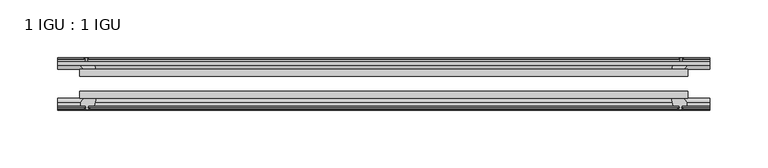
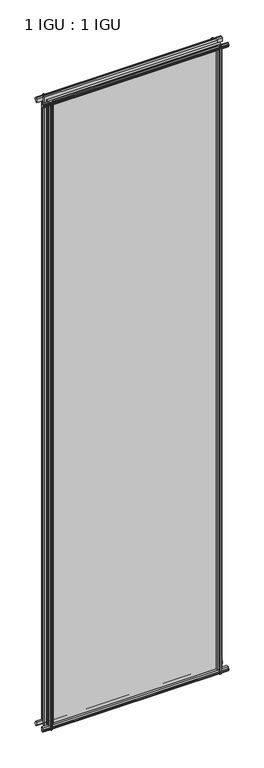
"""IFC4 building model written with IfcOpenShell, lengths in millimetres: plate geometry, 1 IGU : 1 IGU."""

from ifc_helpers import new_model, si_unit, frame, origin, place, context, project, spatial, polyline, outline, extrude, source, transform, mapped, element, save


def plate_1_igu_1_igu_fd220a03(model_context):
    return source(origin(), model_context, "Body", "SweptSolid", [
        extrude(outline(polyline([(-263.523772, -38.6468937), (263.523772, -38.6468937), (263.523772, -44.9460938), (-263.523772, -44.9460938), (-263.523772, -38.6468937)])), frame((0.0, 0.0, -12.7), z_axis=(0.0, 0.0, 1.0), x_axis=(1.0, 0.0, 0.0)), (0.0, 0.0, 1.0), 2019.2872996),
        extrude(outline(polyline([(-263.523772, -19.5460937), (263.523772, -19.5460937), (263.523772, -25.8960938), (-263.523772, -25.8960938), (-263.523772, -19.5460937)])), frame((0.0, 0.0, -12.7), z_axis=(0.0, 0.0, 1.0), x_axis=(1.0, 0.0, 0.0)), (0.0, 0.0, 1.0), 2019.2872996),
        extrude(outline(polyline([(-44.9460937, 1.7177181), (-44.9460937, -9.1036578), (-48.3496937, -11.938), (-51.2960937, -11.938), (-51.2960937, -7.493), (-53.6762907, -7.112), (-53.2163575, -8.5275291), (-54.0175717, -8.5275291), (-54.7250937, -6.35), (-54.0175717, -4.1724709), (-53.2163575, -4.1724709), (-53.6762907, -5.588), (-51.2960937, -5.207), (-51.2960937, 0.0), (-44.9460937, 1.7177181)])), frame((-282.573772, 0.0, 0.0), z_axis=(1.0, 0.0, 0.0), x_axis=(0.0, 1.0, 0.0)), (0.0, 0.0, 1.0), 565.1475441),
        extrude(outline(polyline([(-13.1960937, -12.4587), (-16.1424937, -12.4587), (-19.5460937, -9.6243578), (-19.5460937, 1.1970181), (-13.1960937, -0.5207), (-13.1960937, -5.7277), (-10.8158968, -6.1087), (-11.27583, -4.6931709), (-10.4746158, -4.6931709), (-9.7670937, -6.8707), (-10.4746158, -9.0482291), (-11.27583, -9.0482291), (-10.8158968, -7.6327), (-13.1960937, -8.0137), (-13.1960937, -12.4587)])), frame((-282.573772, 0.0, 0.0), z_axis=(1.0, 0.0, 0.0), x_axis=(0.0, 1.0, 0.0)), (0.0, 0.0, 1.0), 565.1475441),
        extrude(outline(polyline([(-51.2960937, 2005.8252996), (-48.3496937, 2005.8252996), (-44.9460937, 2002.9909574), (-44.9460937, 1992.1695815), (-51.2960937, 1993.8872996), (-51.2960937, 1999.0942996), (-53.6762907, 1999.4752996), (-53.2163575, 1998.0597705), (-54.0175717, 1998.0597705), (-54.7250937, 2000.2372996), (-54.0175717, 2002.4148286), (-53.2163575, 2002.4148286), (-53.6762907, 2000.9992996), (-51.2960937, 2001.3802996), (-51.2960937, 2005.8252996)])), frame((-282.573772, 0.0, 0.0), z_axis=(1.0, 0.0, 0.0), x_axis=(0.0, 1.0, 0.0)), (0.0, 0.0, 1.0), 565.1475441),
        extrude(outline(polyline([(-19.5460937, 1992.6902815), (-19.5460937, 2003.5116574), (-16.1424937, 2006.3459996), (-13.1960937, 2006.3459996), (-13.1960937, 2001.9009996), (-10.8158968, 2001.5199996), (-11.27583, 2002.9355286), (-10.4746158, 2002.9355286), (-9.7670937, 2000.7579996), (-10.4746158, 1998.5804705), (-11.27583, 1998.5804705), (-10.8158968, 1999.9959996), (-13.1960937, 1999.6149996), (-13.1960937, 1994.4079996), (-19.5460937, 1992.6902815)])), frame((-282.573772, 0.0, 0.0), z_axis=(1.0, 0.0, 0.0), x_axis=(0.0, 1.0, 0.0)), (0.0, 0.0, 1.0), 565.1475441),
        extrude(outline(polyline([(249.626754, -19.5460938), (251.344472, -13.1960938), (256.551472, -13.1960938), (256.932472, -10.8158968), (255.516943, -11.27583), (255.516943, -10.4746158), (257.694472, -9.7670938), (259.8720011, -10.4746158), (259.8720011, -11.27583), (258.456472, -10.8158968), (258.837472, -13.1960938), (263.282472, -13.1960938), (263.282472, -16.1424938), (260.4481299, -19.5460938), (249.626754, -19.5460938)])), frame((0.0, 0.0, -12.7), z_axis=(0.0, 0.0, 1.0), x_axis=(1.0, 0.0, 0.0)), (0.0, 0.0, 1.0), 2019.2872997),
        extrude(outline(polyline([(249.106054, -44.9460938), (259.9274299, -44.9460938), (262.761772, -48.3496938), (262.761772, -51.2960938), (258.316772, -51.2960938), (257.935772, -53.6762907), (259.3513011, -53.2163575), (259.3513011, -54.0175717), (257.173772, -54.7250938), (254.996243, -54.0175717), (254.996243, -53.2163575), (256.411772, -53.6762907), (256.030772, -51.2960938), (250.823772, -51.2960938), (249.106054, -44.9460938)])), frame((0.0, 0.0, -12.7), z_axis=(0.0, 0.0, 1.0), x_axis=(1.0, 0.0, 0.0)), (0.0, 0.0, 1.0), 2019.2872997),
        extrude(outline(polyline([(-257.694472, -9.7670937), (-255.516943, -10.4746158), (-255.516943, -11.27583), (-256.932472, -10.8158968), (-256.551472, -13.1960937), (-251.344472, -13.1960937), (-249.626754, -19.5460937), (-260.4481299, -19.5460937), (-263.282472, -16.1424937), (-263.282472, -13.1960937), (-258.837472, -13.1960937), (-258.456472, -10.8158968), (-259.8720011, -11.27583), (-259.8720011, -10.4746158), (-257.694472, -9.7670937)])), frame((0.0, 0.0, -12.7), z_axis=(0.0, 0.0, 1.0), x_axis=(1.0, 0.0, 0.0)), (0.0, 0.0, 1.0), 2019.2872997),
        extrude(outline(polyline([(-262.761772, -48.3496937), (-259.9274299, -44.9460937), (-249.106054, -44.9460937), (-250.823772, -51.2960937), (-256.030772, -51.2960937), (-256.411772, -53.6762907), (-254.996243, -53.2163575), (-254.996243, -54.0175717), (-257.173772, -54.7250937), (-259.3513011, -54.0175717), (-259.3513011, -53.2163575), (-257.935772, -53.6762907), (-258.316772, -51.2960937), (-262.761772, -51.2960937), (-262.761772, -48.3496937)])), frame((0.0, 0.0, -12.7), z_axis=(0.0, 0.0, 1.0), x_axis=(1.0, 0.0, 0.0)), (0.0, 0.0, 1.0), 2019.2872997),
    ])


if __name__ == "__main__":
    model = new_model("IFC4")
    model_context = context("Model", 3, world=origin())
    ifc_project = project(units=[si_unit("LENGTHUNIT", "METRE", prefix="MILLI")], contexts=[model_context])
    site = spatial("IfcSite", under=ifc_project)
    building = spatial("IfcBuilding", under=site)
    placement = place(None, origin())
    plate_1_igu_1_igu_shape = plate_1_igu_1_igu_fd220a03(model_context)
    element("IfcPlate", 1, ObjectType="1 IGU : 1 IGU", at=placement, inside=building, context=model_context, shape_type="MappedRepresentation", body=[
        mapped(plate_1_igu_1_igu_shape, transform((0.0, 0.0, 0.0), x_axis=(1.0, 0.0, 0.0), y_axis=(0.0, 1.0, 0.0), z_axis=(0.0, 0.0, 1.0))),
    ])
    save(model, "model.ifc")
